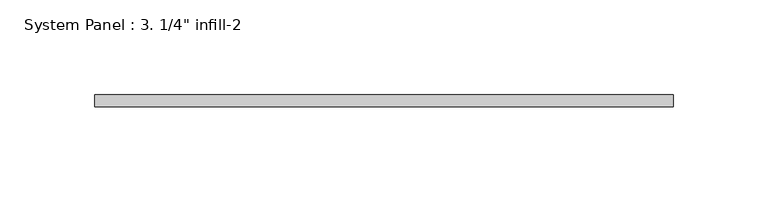
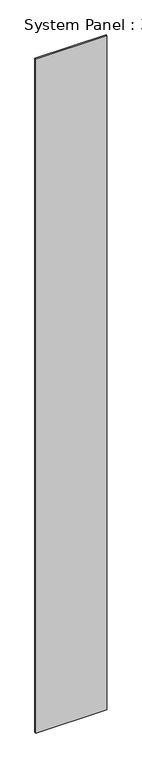
"""IFC4 building model written with IfcOpenShell, lengths in millimetres: plate geometry."""

from ifc_helpers import new_model, si_unit, origin, origin_with_axes, place, context, project, spatial, polyline, outline, extrude, source, transform, mapped, element, save


def plate_369f83e7(model_context):
    return source(origin(), model_context, "Body", "SweptSolid", [
        extrude(outline(polyline([(152.2873766, 0.0), (-152.2873766, 0.0), (-152.2873766, 6.35), (152.2873766, 6.35), (152.2873766, 0.0)])), origin_with_axes(), (0.0, 0.0, 1.0), 3048.0),
    ])


if __name__ == "__main__":
    model = new_model("IFC4")
    model_context = context("Model", 3, world=origin())
    ifc_project = project(units=[si_unit("LENGTHUNIT", "METRE", prefix="MILLI")], contexts=[model_context])
    site = spatial("IfcSite", under=ifc_project)
    building = spatial("IfcBuilding", under=site)
    placement = place(None, origin())
    plate_shape = plate_369f83e7(model_context)
    element("IfcPlate", 1, ObjectType="System Panel : 3. 1/4\" infill-2", at=placement, inside=building, context=model_context, shape_type="MappedRepresentation", body=[
        mapped(plate_shape, transform((0.0, 0.0, 0.0), x_axis=(1.0, 0.0, 0.0), y_axis=(0.0, 1.0, 0.0), z_axis=(0.0, 0.0, 1.0))),
    ])
    save(model, "model.ifc")
